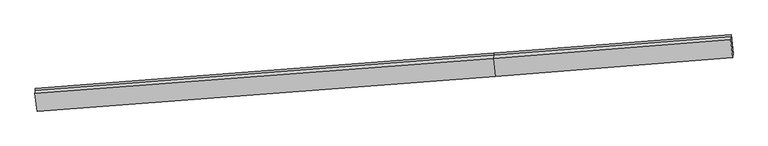
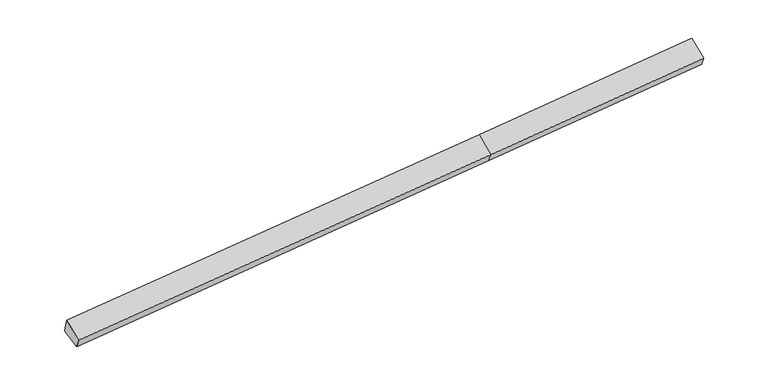
"""IFC4 building model written with IfcOpenShell, lengths in millimetres: proxy geometry."""

from ifc_helpers import new_model, si_unit, frame, origin, place, context, project, spatial, source, transform, mapped, element, save
from ifc_brep_helpers import plane_surface, spline_surface, advanced_brep


def generic_models_b91f861f(model_context):
    return source(origin(), model_context, "Body", "AdvancedBrep", [
        advanced_brep(
        [(-13657.1948902, -2423.0581719, 1060.944793), (-13663.1618752, -2482.9501676, 1238.0727585), (2580.3394414, -1230.0845563, 2198.3423747), (2586.7946181, -1165.2924695, 2006.7226034), (-13591.1526105, -3083.3218208, 823.7505841), (2651.4182162, -1821.0147212, 1787.1812898), (-13600.6677251, -3225.7797772, 1167.3540794), (2644.2293264, -1987.0763985, 2122.8820613), (-13676.4775194, -2597.8213093, 1608.8830305), (2568.4195322, -1359.1179305, 2564.4110124), (11056.9947619, -1311.6560822, 2613.5421353), (11065.4829823, -1170.1147837, 2288.1915555), (10999.4407026, -509.8511348, 2525.3857644), (10993.0784791, -573.7102293, 2714.2462518), (10981.1849676, -683.6976143, 3055.0710864)],
        [
            (0, 1),
            (1, 2),
            (2, 3),
            (3, 0),
            (4, 0),
            (0, 5),
            (5, 4),
            (6, 4),
            (5, 7),
            (7, 6),
            (8, 6),
            (7, 9),
            (9, 8),
            (1, 8),
            (9, 2),
            (10, 11),
            (11, 12),
            (12, 13),
            (13, 14),
            (14, 10),
            (3, 5),
            (5, 11),
            (10, 7),
            (3, 12),
            (2, 13),
            (9, 14),
        ],
        [
            plane_surface(frame((-13660.1783827, -2453.0041697, 1149.5087758), z_axis=(-0.09152445071021167, 0.9442672371268769, 0.31620034758198556), x_axis=(-0.03189625634444981, -0.32015003099085293, 0.9468297558102856))),
            plane_surface(frame((-13624.1737504, -2753.1899963, 942.3476886), z_axis=(0.02927793823279024, 0.34053513131615765, -0.9397758385233812), x_axis=(-0.0937198281669613, 0.9369724371790127, 0.336599533236718))),
            spline_surface(1, 1, [[(-13600.6677251, -3225.7797772, 1167.3540794), (2644.2293264, -1987.0763985, 2122.8820613)], [(-13591.1526105, -3083.3218208, 823.7505841), (2651.4182162, -1821.0147212, 1787.1812898)]], [2, 2], [2, 2], [0.0, 1.0], [0.0, 1.0]),
            plane_surface(frame((-13638.5726223, -2911.8005433, 1388.1185549), z_axis=(-0.00421866939595314, -0.5755086031543093, 0.8177848436623804), x_axis=(0.0982781704692878, -0.8140717165039248, -0.5723885407636697))),
            spline_surface(1, 1, [[(-13663.1618752, -2482.9501676, 1238.0727585), (2580.3394414, -1230.0845563, 2198.3423747)], [(-13676.4775194, -2597.8213093, 1608.8830305), (2568.4195322, -1359.1179305, 2564.4110124)]], [2, 2], [2, 2], [0.0, 1.0], [0.0, 1.0]),
            plane_surface(frame((11019.2363787, -849.8059688, 2639.2873587), z_axis=(0.995150498118755, 0.07801886223631439, 0.05990445083084509), x_axis=(0.0239167444826526, 0.39881234470423454, -0.9167206243152067))),
            plane_surface(frame((-13637.7309241, -2762.5862494, 1179.8010491), z_axis=(-0.9951504981187554, -0.07801886223631664, -0.05990445083083342), x_axis=(0.03189625634442627, 0.32015003099085443, -0.946829755810286))),
            plane_surface(frame((-13657.1948902, -2423.0581719, 1060.944793), z_axis=(0.03035315066667368, 0.32002867109278466, -0.946921504626013), x_axis=(-0.09304899206977738, 0.944148830848138, 0.31610895318369653))),
            spline_surface(1, 1, [[(2644.2293264, -1987.0763985, 2122.8820613), (11056.9947619, -1311.6560822, 2613.5421353)], [(2651.4182162, -1821.0147212, 1787.1812898), (11065.4829823, -1170.1147837, 2288.1915555)]], [2, 2], [2, 2], [0.0, 1.0], [0.0, 1.0]),
            spline_surface(1, 1, [[(2651.4182162, -1821.0147212, 1787.1812898), (11065.4829823, -1170.1147837, 2288.1915555)], [(2586.7946181, -1165.2924695, 2006.7226034), (10999.4407026, -509.8511348, 2525.3857644)]], [2, 2], [2, 2], [0.0, 1.0], [0.0, 1.0]),
            plane_surface(frame((2583.5670298, -1197.6885129, 2102.532489), z_axis=(-0.09304899206980552, 0.9441488308481368, 0.31610895318369253), x_axis=(-0.0318962563444264, -0.3201500309908542, 0.9468297558102861))),
            spline_surface(1, 1, [[(2580.3394414, -1230.0845563, 2198.3423747), (10993.0784791, -573.7102293, 2714.2462518)], [(2568.4195322, -1359.1179305, 2564.4110124), (10981.1849676, -683.6976143, 3055.0710864)]], [2, 2], [2, 2], [0.0, 1.0], [0.0, 1.0]),
            plane_surface(frame((2606.3244293, -1673.0971645, 2343.6465368), z_axis=(-0.0015175669532338995, -0.5752948919430542, 0.8179446706805857), x_axis=(0.09827817046928956, -0.8140717165039173, -0.57238854076368))),
        ],
        [
            (0, [[1, 2, 3, 4]]),
            (1, [[5, 6, 7]]),
            (2, [[8, -7, 9, 10]]),
            (3, [[11, -10, 12, 13]]),
            (4, [[14, -13, 15, -2]]),
            (5, [[16, 17, 18, 19, 20]]),
            (6, [[-1, -5, -8, -11, -14]]),
            (7, [[21, -6, -4]]),
            (8, [[-9, 22, -16, 23]]),
            (9, [[-21, 24, -17, -22]]),
            (10, [[-3, 25, -18, -24]]),
            (11, [[-15, 26, -19, -25]]),
            (12, [[-12, -23, -20, -26]]),
        ],
    ),
    ])


if __name__ == "__main__":
    model = new_model("IFC4")
    model_context = context("Model", 3, world=origin())
    ifc_project = project(units=[si_unit("LENGTHUNIT", "METRE", prefix="MILLI")], contexts=[model_context])
    site = spatial("IfcSite", under=ifc_project)
    building = spatial("IfcBuilding", under=site)
    placement = place(None, origin())
    generic_models_shape = generic_models_b91f861f(model_context)
    element("IfcBuildingElementProxy", 1, Name="Generic Models", at=placement, inside=building, context=model_context, shape_type="MappedRepresentation", body=[
        mapped(generic_models_shape, transform((0.0, 0.0, 0.0), x_axis=(1.0, 0.0, 0.0), y_axis=(0.0, 1.0, 0.0), z_axis=(0.0, 0.0, 1.0))),
    ])
    save(model, "model.ifc")
